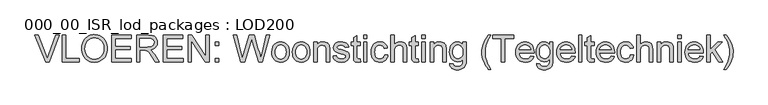
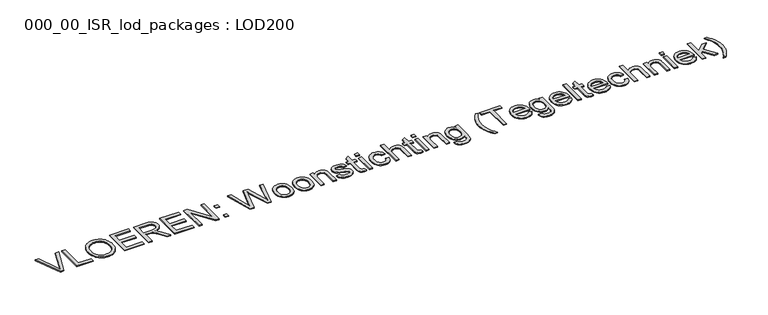
"""IFC4 building model written with IfcOpenShell, lengths in millimetres: proxy geometry, 000_00_ISR_lod_packages : LOD200."""

from ifc_helpers import new_model, si_unit, origin, origin_with_axes, place, context, project, spatial, polyline, outline, extrude, source, transform, mapped, element, save


def proxy_000_00_isr_lod_packages_lod200_c417fd53(model_context):
    return source(origin(), model_context, "Body", "SweptSolid", [
        extrude(outline(polyline([(817.155303, 500.0), (505.3560606, 1283.5151515), (610.1818182, 1283.5151515), (818.8768939, 719.0246212), (861.1515152, 591.8181818), (902.8522727, 719.0246212), (1112.1212121, 1283.5151515), (1216.9469697, 1283.5151515), (918.3465909, 500.0), (817.155303, 500.0)])), origin_with_axes(), (0.0, 0.0, 1.0), 25.0),
        extrude(outline(polyline([(1308.0, 500.0), (1308.0, 1283.5151515), (1405.9393939, 1283.5151515), (1405.9393939, 597.9393939), (1797.6969697, 597.9393939), (1797.6969697, 500.0), (1308.0, 500.0)])), origin_with_axes(), (0.0, 0.0, 1.0), 25.0),
        extrude(outline(polyline([(1871.1515152, 881.4280303), (1872.7834399, 928.6970585), (1877.679214, 973.3299006), (1885.8388376, 1015.3265566), (1897.2623106, 1054.6870265), (1911.949633, 1091.4113104), (1929.9008049, 1125.4994081), (1951.1158262, 1156.9513198), (1975.594697, 1185.7670455), (2002.6529652, 1211.546076), (2031.606179, 1233.8879025), (2062.4543383, 1252.7925249), (2095.1974432, 1268.2599432), (2129.8354936, 1280.2901574), (2166.3684896, 1288.8831676), (2204.7964311, 1294.0389737), (2245.1193182, 1295.7575758), (2297.8310843, 1292.5295928), (2347.8887311, 1282.8456439), (2395.2922585, 1266.7057292), (2440.0416667, 1244.1098485), (2480.8816288, 1215.739465), (2516.5568182, 1182.2760417), (2547.0672348, 1143.7195786), (2572.4128788, 1100.0700758), (2592.3307292, 1052.319839), (2606.5577652, 1001.4611742), (2615.0939867, 947.4940814), (2617.9393939, 890.4185606), (2614.9445431, 832.5898437), (2605.9599905, 777.8934659), (2590.9857363, 726.3294271), (2570.0217803, 677.8977273), (2543.5642756, 633.8776042), (2512.109375, 595.5482955), (2475.6570786, 562.9098011), (2434.2073864, 535.9621212), (2389.392223, 514.8726326), (2342.8435133, 499.8087121), (2294.5612571, 490.7703598), (2244.5454545, 487.7575758), (2190.9131155, 491.0871804), (2140.1979167, 501.0759943), (2092.399858, 517.7240175), (2047.5189394, 541.03125), (2006.7267992, 570.0950521), (1971.1950758, 604.0127841), (1940.9237689, 642.784446), (1915.9128788, 686.4100379), (1896.3297822, 733.13808), (1882.3418561, 781.2170928), (1873.9491004, 830.6470762), (1871.1515152, 881.4280303)]), holes=[polyline([(1969.0909091, 880.4715909), (1973.9866832, 815.5413116), (1988.6740057, 757.9038826), (2013.1528764, 707.559304), (2047.4232955, 664.5075758), (2089.0822088, 630.0279356), (2135.7265625, 605.3996212), (2187.3563565, 590.6226326), (2243.9715909, 585.6969697), (2301.5552202, 590.6704545), (2353.7947443, 605.5909091), (2400.6901634, 630.4583333), (2442.2414773, 665.2727273), (2460.466131, 686.2097834), (2476.260831, 709.2330729), (2500.5603693, 761.5383523), (2515.1400923, 822.1885653), (2520.0, 891.1837121), (2517.9197443, 936.0048532), (2511.6789773, 977.8849432), (2501.2776989, 1016.823982), (2486.7159091, 1052.8219697), (2468.1550071, 1085.4066643), (2445.756392, 1114.1058239), (2419.5200639, 1138.9194484), (2389.4460227, 1159.8475379), (2356.4667969, 1176.4596946), (2321.5149148, 1188.3255208), (2284.5903764, 1195.4450166), (2245.6931818, 1197.8181818), (2191.0446259, 1193.245206), (2140.3413826, 1179.5262784), (2093.5834517, 1156.6613991), (2050.7708333, 1124.6505682), (2031.6271011, 1104.8298562), (2015.0358665, 1081.951527), (2000.9971295, 1056.0155806), (1989.5108902, 1027.022017), (1974.1959044, 959.8620384), (1969.0909091, 880.4715909)])]), origin_with_axes(), (0.0, 0.0, 1.0), 25.0),
        extrude(outline(polyline([(2752.6060606, 500.0), (2752.6060606, 1283.5151515), (3315.7575758, 1283.5151515), (3315.7575758, 1185.5757576), (2850.5454545, 1185.5757576), (2850.5454545, 952.969697), (3291.2727273, 952.969697), (3291.2727273, 855.030303), (2850.5454545, 855.030303), (2850.5454545, 597.9393939), (3328.0, 597.9393939), (3328.0, 500.0), (2752.6060606, 500.0)])), origin_with_axes(), (0.0, 0.0, 1.0), 25.0),
        extrude(outline(polyline([(3474.9090909, 500.0), (3474.9090909, 1283.5151515), (3812.532197, 1283.5151515), (3903.2743845, 1278.2308239), (3939.3739938, 1271.6254143), (3969.2926136, 1262.3778409), (3994.769768, 1249.7767519), (4017.5449811, 1233.1107955), (4037.6182528, 1212.3799716), (4054.9895833, 1187.5842803), (4069.0073982, 1160.056759), (4079.0201231, 1131.1304451), (4085.027758, 1100.8053385), (4087.030303, 1069.0814394), (4083.7126539, 1028.8392519), (4073.7597064, 991.8967803), (4057.1714607, 958.2540246), (4033.9479167, 927.9109848), (4003.790187, 901.8360559), (3966.3993845, 880.9976326), (3921.775509, 865.395715), (3869.9185606, 855.030303), (3902.1983902, 833.9408144), (3925.5833333, 813.1382576), (3965.7059659, 765.5553977), (4004.967803, 712.3295455), (4135.6174242, 500.0), (4021.8011364, 500.0), (3919.844697, 662.4034091), (3846.1988636, 769.907197), (3818.820786, 801.2544981), (3794.4554924, 820.6941288), (3771.381392, 832.0996686), (3747.8768939, 839.344697), (3691.0643939, 842.7878788), (3572.8484848, 842.7878788), (3572.8484848, 500.0), (3474.9090909, 500.0)]), holes=[polyline([(3572.8484848, 940.7272727), (3792.0643939, 940.7272727), (3855.022017, 944.1943655), (3903.8721591, 954.5956439), (3940.6472538, 972.6245265), (3955.268821, 984.7593513), (3967.3797348, 998.9744318), (3983.6631155, 1030.8477746), (3989.0909091, 1065.4469697), (3986.502545, 1090.4937263), (3978.7374527, 1113.2211174), (3965.7956321, 1133.629143), (3947.6770833, 1151.717803), (3923.9633641, 1166.5306581), (3894.2360322, 1177.1112689), (3858.4950876, 1183.4596354), (3816.7405303, 1185.5757576), (3572.8484848, 1185.5757576), (3572.8484848, 940.7272727)])]), origin_with_axes(), (0.0, 0.0, 1.0), 25.0),
        extrude(outline(polyline([(4258.4242424, 500.0), (4258.4242424, 1283.5151515), (4821.5757576, 1283.5151515), (4821.5757576, 1185.5757576), (4356.3636364, 1185.5757576), (4356.3636364, 952.969697), (4797.0909091, 952.969697), (4797.0909091, 855.030303), (4356.3636364, 855.030303), (4356.3636364, 597.9393939), (4833.8181818, 597.9393939), (4833.8181818, 500.0), (4258.4242424, 500.0)])), origin_with_axes(), (0.0, 0.0, 1.0), 25.0),
        extrude(outline(polyline([(4980.7272727, 500.0), (4980.7272727, 1283.5151515), (5085.5530303, 1283.5151515), (5494.9090909, 662.7859848), (5494.9090909, 1283.5151515), (5592.8484848, 1283.5151515), (5592.8484848, 500.0), (5488.0227273, 500.0), (5078.6666667, 1120.9204545), (5078.6666667, 500.0), (4980.7272727, 500.0)])), origin_with_axes(), (0.0, 0.0, 1.0), 25.0),
        extrude(outline(polyline([(5776.4848485, 500.0), (5776.4848485, 597.9393939), (5874.4242424, 597.9393939), (5874.4242424, 500.0), (5776.4848485, 500.0)])), origin_with_axes(), (0.0, 0.0, 1.0), 25.0),
        extrude(outline(polyline([(5776.4848485, 977.4545455), (5776.4848485, 1075.3939394), (5874.4242424, 1075.3939394), (5874.4242424, 977.4545455), (5776.4848485, 977.4545455)])), origin_with_axes(), (0.0, 0.0, 1.0), 25.0),
        extrude(outline(polyline([(6516.5776515, 500.0), (6302.9090909, 1283.5151515), (6403.9090909, 1283.5151515), (6527.8636364, 768.5681818), (6566.1212121, 609.6079545), (6607.0568182, 750.2045455), (6762.3825758, 1283.5151515), (6907.9526515, 1283.5151515), (7020.8125, 896.9223485), (7069.1605114, 753.4564394), (7104.7878788, 609.6079545), (7141.8977273, 763.9772727), (7267.0, 1283.5151515), (7368.0, 1283.5151515), (7154.1401515, 500.0), (7049.5056818, 500.0), (6861.6609848, 1104.469697), (6835.4545455, 1188.8276515), (6805.9962121, 1087.2537879), (6634.7935606, 500.0), (6516.5776515, 500.0)])), origin_with_axes(), (0.0, 0.0, 1.0), 25.0),
        extrude(outline(polyline([(7429.2121212, 787.6969697), (7434.5084044, 862.215554), (7441.1287583, 895.6102332), (7450.3972538, 926.4285038), (7462.3138909, 954.6703658), (7476.8786695, 980.3358191), (7494.0915897, 1003.4248639), (7513.9526515, 1023.9375), (7551.2776989, 1051.8057528), (7592.4763258, 1071.7116477), (7637.5485322, 1083.6551847), (7686.4943182, 1087.6363636), (7740.5271662, 1082.7884115), (7789.383286, 1068.2445549), (7833.0626776, 1044.004794), (7871.5653409, 1010.0691288), (7902.9903527, 967.5852865), (7925.4367898, 917.7009943), (7938.904652, 860.4162524), (7943.3939394, 795.7310606), (7941.4093277, 743.3062263), (7935.4554924, 696.7874053), (7925.5324337, 656.1745975), (7911.6401515, 621.467803), (7893.9520005, 591.4894058), (7872.6413352, 565.0617898), (7847.7081558, 542.184955), (7819.1524621, 522.8589015), (7788.0861151, 507.5020715), (7755.6209754, 496.5329072), (7721.7570431, 489.9514086), (7686.4943182, 487.7575758), (7631.6724077, 492.5875947), (7582.3619792, 507.0776515), (7538.5630327, 531.2277462), (7500.2755682, 565.0378788), (7469.1853101, 607.9341856), (7446.977983, 659.342803), (7433.6535866, 719.2637311), (7429.2121212, 787.6969697)]), holes=[polyline([(7527.1515152, 787.8882576), (7529.9849669, 740.3831084), (7538.485322, 699.2502367), (7552.6525805, 664.4896425), (7572.4867424, 636.1013258), (7596.6129261, 614.04942), (7623.65625, 598.2980587), (7653.616714, 588.847242), (7686.4943182, 585.6969697), (7719.2045455, 588.8651752), (7749.0454545, 598.3697917), (7776.0170455, 614.2108191), (7800.1193182, 636.3882576), (7819.9534801, 665.0575284), (7834.1207386, 700.374053), (7842.6210938, 742.3378314), (7845.4545455, 790.9488636), (7842.6031605, 836.9476207), (7834.0490057, 877.0044981), (7819.792081, 911.1194957), (7799.8323864, 939.2926136), (7775.6404474, 961.3445194), (7748.6867898, 977.0958807), (7718.9714134, 986.5466974), (7686.4943182, 989.6969697), (7653.616714, 986.5586529), (7623.65625, 977.1437027), (7596.6129261, 961.4521188), (7572.4867424, 939.4839015), (7552.6525805, 911.1792732), (7538.485322, 876.4784564), (7529.9849669, 835.3814512), (7527.1515152, 787.8882576)])]), origin_with_axes(), (0.0, 0.0, 1.0), 25.0),
        extrude(outline(polyline([(8029.0909091, 787.6969697), (8034.3871922, 862.215554), (8041.0075462, 895.6102332), (8050.2760417, 926.4285038), (8062.1926787, 954.6703658), (8076.7574574, 980.3358191), (8093.9703776, 1003.4248639), (8113.8314394, 1023.9375), (8151.1564867, 1051.8057528), (8192.3551136, 1071.7116477), (8237.4273201, 1083.6551847), (8286.3731061, 1087.6363636), (8340.4059541, 1082.7884115), (8389.2620739, 1068.2445549), (8432.9414654, 1044.004794), (8471.4441288, 1010.0691288), (8502.8691406, 967.5852865), (8525.3155777, 917.7009943), (8538.7834399, 860.4162524), (8543.2727273, 795.7310606), (8541.2881155, 743.3062263), (8535.3342803, 696.7874053), (8525.4112216, 656.1745975), (8511.5189394, 621.467803), (8493.8307884, 591.4894058), (8472.5201231, 565.0617898), (8447.5869437, 542.184955), (8419.03125, 522.8589015), (8387.9649029, 507.5020715), (8355.4997633, 496.5329072), (8321.635831, 489.9514086), (8286.3731061, 487.7575758), (8231.5511955, 492.5875947), (8182.240767, 507.0776515), (8138.4418205, 531.2277462), (8100.1543561, 565.0378788), (8069.064098, 607.9341856), (8046.8567708, 659.342803), (8033.5323745, 719.2637311), (8029.0909091, 787.6969697)]), holes=[polyline([(8127.030303, 787.8882576), (8129.8637547, 740.3831084), (8138.3641098, 699.2502367), (8152.5313684, 664.4896425), (8172.3655303, 636.1013258), (8196.491714, 614.04942), (8223.5350379, 598.2980587), (8253.4955019, 588.847242), (8286.3731061, 585.6969697), (8319.0833333, 588.8651752), (8348.9242424, 598.3697917), (8375.8958333, 614.2108191), (8399.9981061, 636.3882576), (8419.832268, 665.0575284), (8433.9995265, 700.374053), (8442.4998816, 742.3378314), (8445.3333333, 790.9488636), (8442.4819484, 836.9476207), (8433.9277936, 877.0044981), (8419.6708688, 911.1194957), (8399.7111742, 939.2926136), (8375.5192353, 961.3445194), (8348.5655777, 977.0958807), (8318.8502012, 986.5466974), (8286.3731061, 989.6969697), (8253.4955019, 986.5586529), (8223.5350379, 977.1437027), (8196.491714, 961.4521188), (8172.3655303, 939.4839015), (8152.5313684, 911.1792732), (8138.3641098, 876.4784564), (8129.8637547, 835.3814512), (8127.030303, 787.8882576)])]), origin_with_axes(), (0.0, 0.0, 1.0), 25.0),
        extrude(outline(polyline([(8653.4545455, 500.0), (8653.4545455, 1075.3939394), (8751.3939394, 1075.3939394), (8751.3939394, 995.0530303), (8785.4192708, 1035.5582386), (8804.9963897, 1051.4709991), (8826.2831439, 1064.4905303), (8849.2795336, 1074.6168324), (8873.9855587, 1081.8499053), (8928.5265152, 1087.6363636), (8976.8027936, 1082.9737216), (9021.0142045, 1068.9857955), (9057.8849432, 1047.4180871), (9084.1392045, 1020.0160985), (9101.9528883, 986.8515625), (9113.5018939, 947.9962121), (9117.3754735, 910.8385417), (9118.6666667, 853.3087121), (9118.6666667, 500.0), (9020.7272727, 500.0), (9020.7272727, 840.1098485), (9017.9057765, 890.7533144), (9009.4412879, 926.7632576), (8993.8274148, 952.5632102), (8969.5577652, 972.5767045), (8938.4495739, 985.4169034), (8902.3200758, 989.6969697), (8872.5807884, 987.2939157), (8844.9576231, 980.0847538), (8819.45058, 968.0694839), (8796.0596591, 951.2481061), (8776.5184067, 927.7077415), (8762.5603693, 895.5355114), (8754.1855469, 854.7314157), (8751.3939394, 805.2954545), (8751.3939394, 500.0), (8653.4545455, 500.0)])), origin_with_axes(), (0.0, 0.0, 1.0), 25.0),
        extrude(outline(polyline([(9216.6060606, 671.3939394), (9314.5454545, 683.6363636), (9320.4634233, 661.3035038), (9329.9919508, 641.7443182), (9343.1310369, 624.9588068), (9359.8806818, 610.9469697), (9380.2887074, 599.9000947), (9404.4029356, 592.0094697), (9432.2233665, 587.2750947), (9463.75, 585.6969697), (9495.240767, 587.1435843), (9522.3797348, 591.483428), (9545.1669034, 598.7165009), (9563.6022727, 608.842803), (9577.8293087, 620.9178504), (9587.9914773, 633.9971591), (9594.0887784, 648.0807292), (9596.1212121, 663.1685606), (9594.0768229, 676.3913352), (9587.9436553, 688.1316288), (9577.7217093, 698.3894413), (9563.4109848, 707.1647727), (9526.7315341, 719.5984848), (9462.6022727, 735.092803), (9373.2230114, 760.9405777), (9315.1193182, 783.0104167), (9277.7942708, 807.0887784), (9262.9873935, 822.0510772), (9250.750947, 838.9621212), (9234.3241004, 876.5980114), (9228.8484848, 917.9640152), (9233.2481061, 955.9107481), (9246.4469697, 990.9403409), (9267.2495265, 1021.6659564), (9294.4602273, 1046.7007576), (9321.5035511, 1062.4580966), (9356.7244318, 1075.6808712), (9397.444839, 1084.6474905), (9440.9867424, 1087.6363636), (9504.733428, 1082.8302557), (9560.1590909, 1068.4119318), (9604.7291667, 1045.7921402), (9621.9928977, 1031.9357244), (9635.9090909, 1016.3816288), (9656.5681818, 978.0044981), (9669.5757576, 928.4848485), (9571.6363636, 916.2424242), (9566.9677438, 932.6035156), (9559.2743845, 947.0636837), (9548.5562855, 959.6229285), (9534.813447, 970.28125), (9517.9860914, 978.7756274), (9498.0144413, 984.8430398), (9448.6382576, 989.6969697), (9392.3996212, 985.0582386), (9371.3101326, 979.2598248), (9354.907197, 971.1420455), (9333.8177083, 951.0568182), (9328.5453362, 939.8664773), (9326.7878788, 927.9109848), (9329.7050189, 912.8470644), (9338.4564394, 899.4090909), (9353.4247159, 887.4057765), (9374.9924242, 877.7935606), (9459.3503788, 856.9431818), (9545.884233, 831.358428), (9603.1032197, 810.842803), (9641.0738636, 788.796875), (9669.8626894, 758.6212121), (9680.4492779, 740.4608191), (9688.0111269, 720.2201705), (9692.5482363, 697.8992661), (9694.0606061, 673.4981061), (9692.2852154, 648.9893466), (9686.9590436, 625.1979167), (9678.0820904, 602.1238163), (9665.6543561, 579.7670455), (9649.8790838, 559.0182884), (9630.959517, 540.7682292), (9608.8956558, 525.0168679), (9583.6875, 511.7642045), (9556.0224905, 501.2613045), (9526.5880682, 493.759233), (9462.4109848, 487.7575758), (9409.6992188, 490.6508049), (9363.6586174, 499.3304924), (9324.2891809, 513.7966383), (9291.5909091, 534.0492424), (9264.882339, 559.992661), (9243.4820076, 591.53125), (9227.3899148, 628.6650095), (9216.6060606, 671.3939394)])), origin_with_axes(), (0.0, 0.0, 1.0), 25.0),
        extrude(outline(polyline([(10012.3636364, 581.6799242), (10024.6060606, 497.1306818), (9985.8224432, 490.1008523), (9951.342803, 487.7575758), (9904.3338068, 491.8224432), (9869.280303, 504.0170455), (9844.5085227, 522.8110795), (9828.344697, 546.6742424), (9819.4498106, 587.6576705), (9816.4848485, 657.8125), (9816.4848485, 977.4545455), (9743.030303, 977.4545455), (9743.030303, 1075.3939394), (9816.4848485, 1075.3939394), (9816.4848485, 1215.2253788), (9914.4242424, 1272.8030303), (9914.4242424, 1075.3939394), (10012.3636364, 1075.3939394), (10012.3636364, 977.4545455), (9914.4242424, 977.4545455), (9914.4242424, 660.6818182), (9915.7154356, 628.4498106), (9919.5890152, 610.1818182), (9926.3558239, 600.0674716), (9936.3267045, 592.2964015), (9950.4580966, 587.3468277), (9969.7064394, 585.6969697), (10012.3636364, 581.6799242)])), origin_with_axes(), (0.0, 0.0, 1.0), 25.0),
        extrude(outline(polyline([(10110.3030303, 500.0), (10110.3030303, 1075.3939394), (10208.2424242, 1075.3939394), (10208.2424242, 500.0), (10110.3030303, 500.0)])), origin_with_axes(), (0.0, 0.0, 1.0), 25.0),
        extrude(outline(polyline([(10110.3030303, 1185.5757576), (10110.3030303, 1283.5151515), (10208.2424242, 1283.5151515), (10208.2424242, 1185.5757576), (10110.3030303, 1185.5757576)])), origin_with_axes(), (0.0, 0.0, 1.0), 25.0),
        extrude(outline(polyline([(10722.4242424, 708.1212121), (10820.3636364, 695.8787879), (10809.7112926, 649.6648319), (10793.0572917, 608.7710701), (10770.4016335, 573.1975024), (10741.7443182, 542.9441288), (10708.2928504, 518.8000118), (10671.2547348, 501.554214), (10630.6299716, 491.2067353), (10586.4185606, 487.7575758), (10531.4890507, 492.5696615), (10482.2383996, 507.0059186), (10438.6666075, 531.0663471), (10400.7736742, 564.750947), (10370.1018584, 607.4260772), (10348.1934186, 658.4580966), (10335.0483546, 717.8470052), (10330.6666667, 785.592803), (10332.5377012, 830.6231652), (10338.1508049, 872.7483428), (10347.5059777, 911.9683357), (10360.6032197, 948.2831439), (10377.532197, 980.9634825), (10398.3825758, 1009.2800663), (10423.1543561, 1033.2328954), (10451.8475379, 1052.8219697), (10483.1649503, 1068.053267), (10515.8094223, 1078.9327652), (10549.7809541, 1085.460464), (10585.0795455, 1087.6363636), (10628.5317827, 1084.6474905), (10667.835464, 1075.6808712), (10702.9905895, 1060.7365057), (10733.9971591, 1039.8143939), (10760.3291312, 1013.3927557), (10781.460464, 981.9498106), (10797.3911577, 945.4855587), (10808.1212121, 904.0), (10710.1818182, 891.7575758), (10702.5362808, 914.6344105), (10692.4159564, 934.4865057), (10679.8208452, 951.3138613), (10664.750947, 965.1164773), (10647.5888376, 975.8704427), (10628.7170928, 983.5518466), (10608.1357126, 988.1606889), (10585.844697, 989.6969697), (10552.5665838, 986.6722301), (10522.5523201, 977.5980114), (10495.8019058, 962.4743134), (10472.3153409, 941.3011364), (10453.1925308, 913.5883049), (10439.5333807, 878.8456439), (10431.3378906, 837.0731534), (10428.6060606, 788.2708333), (10431.2781132, 738.7332505), (10439.2942708, 696.4765625), (10452.6545336, 661.5007694), (10471.3589015, 633.8058712), (10494.3792022, 612.7582268), (10520.6872633, 597.7241951), (10550.2830848, 588.703776), (10583.1666667, 585.6969697), (10609.6660156, 587.573982), (10633.8818655, 593.2050189), (10655.8142164, 602.5900805), (10675.4630682, 615.7291667), (10692.2784683, 632.7657434), (10705.710464, 653.8432765), (10715.7590554, 678.9617661), (10722.4242424, 708.1212121)])), origin_with_axes(), (0.0, 0.0, 1.0), 25.0),
        extrude(outline(polyline([(10906.0606061, 500.0), (10906.0606061, 1283.5151515), (11004.0, 1283.5151515), (11004.0, 995.4356061), (11039.9740767, 1035.7734375), (11080.3716856, 1064.5861742), (11125.1928267, 1081.8738163), (11174.4375, 1087.6363636), (11205.0555161, 1086.0642164), (11233.5932765, 1081.3477746), (11260.0507813, 1073.4870384), (11284.4280303, 1062.4820076), (11306.1033381, 1048.7033026), (11324.4550189, 1032.5215436), (11339.4830729, 1013.9367306), (11351.1875, 992.9488636), (11359.9747869, 968.2607718), (11366.2514205, 938.5752841), (11371.2727273, 864.2121212), (11371.2727273, 500.0), (11273.3333333, 500.0), (11273.3333333, 854.0738636), (11271.3845881, 887.1427557), (11265.5383523, 915.3816288), (11255.7946259, 938.790483), (11242.1534091, 957.3693182), (11224.9375, 971.5126657), (11204.469697, 981.6150568), (11180.75, 987.6764915), (11153.7784091, 989.6969697), (11112.3884943, 984.2452652), (11073.5331439, 967.8901515), (11056.0900805, 956.0183475), (11041.3489583, 942.2097538), (11029.3097775, 926.4643703), (11019.9725379, 908.782197), (11007.9931345, 864.3555871), (11004.0, 805.6780303), (11004.0, 500.0), (10906.0606061, 500.0)])), origin_with_axes(), (0.0, 0.0, 1.0), 25.0),
        extrude(outline(polyline([(11714.0606061, 581.6799242), (11726.3030303, 497.1306818), (11687.5194129, 490.1008523), (11653.0397727, 487.7575758), (11606.0307765, 491.8224432), (11570.9772727, 504.0170455), (11546.2054924, 522.8110795), (11530.0416667, 546.6742424), (11521.1467803, 587.6576705), (11518.1818182, 657.8125), (11518.1818182, 977.4545455), (11444.7272727, 977.4545455), (11444.7272727, 1075.3939394), (11518.1818182, 1075.3939394), (11518.1818182, 1215.2253788), (11616.1212121, 1272.8030303), (11616.1212121, 1075.3939394), (11714.0606061, 1075.3939394), (11714.0606061, 977.4545455), (11616.1212121, 977.4545455), (11616.1212121, 660.6818182), (11617.4124053, 628.4498106), (11621.2859848, 610.1818182), (11628.0527936, 600.0674716), (11638.0236742, 592.2964015), (11652.1550663, 587.3468277), (11671.4034091, 585.6969697), (11714.0606061, 581.6799242)])), origin_with_axes(), (0.0, 0.0, 1.0), 25.0),
        extrude(outline(polyline([(11812.0, 500.0), (11812.0, 1075.3939394), (11909.9393939, 1075.3939394), (11909.9393939, 500.0), (11812.0, 500.0)])), origin_with_axes(), (0.0, 0.0, 1.0), 25.0),
        extrude(outline(polyline([(11812.0, 1185.5757576), (11812.0, 1283.5151515), (11909.9393939, 1283.5151515), (11909.9393939, 1185.5757576), (11812.0, 1185.5757576)])), origin_with_axes(), (0.0, 0.0, 1.0), 25.0),
        extrude(outline(polyline([(12056.8484848, 500.0), (12056.8484848, 1075.3939394), (12154.7878788, 1075.3939394), (12154.7878788, 995.0530303), (12188.8132102, 1035.5582386), (12208.3903291, 1051.4709991), (12229.6770833, 1064.4905303), (12252.673473, 1074.6168324), (12277.3794981, 1081.8499053), (12331.9204545, 1087.6363636), (12380.196733, 1082.9737216), (12424.4081439, 1068.9857955), (12461.2788826, 1047.4180871), (12487.5331439, 1020.0160985), (12505.3468277, 986.8515625), (12516.8958333, 947.9962121), (12520.7694129, 910.8385417), (12522.0606061, 853.3087121), (12522.0606061, 500.0), (12424.1212121, 500.0), (12424.1212121, 840.1098485), (12421.2997159, 890.7533144), (12412.8352273, 926.7632576), (12397.2213542, 952.5632102), (12372.9517045, 972.5767045), (12341.8435133, 985.4169034), (12305.7140152, 989.6969697), (12275.9747277, 987.2939157), (12248.3515625, 980.0847538), (12222.8445194, 968.0694839), (12199.4535985, 951.2481061), (12179.9123461, 927.7077415), (12165.9543087, 895.5355114), (12157.5794863, 854.7314157), (12154.7878788, 805.2954545), (12154.7878788, 500.0), (12056.8484848, 500.0)])), origin_with_axes(), (0.0, 0.0, 1.0), 25.0),
        extrude(outline(polyline([(12632.2424242, 451.030303), (12730.1818182, 438.7878788), (12734.3184186, 422.2892992), (12740.9895833, 408.1818182), (12750.1953125, 396.4654356), (12761.9356061, 387.1401515), (12780.9328835, 377.5996686), (12803.110322, 370.7850379), (12857.0056818, 365.3333333), (12887.5878314, 366.8755919), (12914.4876894, 371.5023674), (12937.7052557, 379.21366), (12957.2405303, 390.0094697), (12973.5, 403.5909091), (12986.8901515, 419.6590909), (12997.4109848, 438.2140152), (13005.0625, 459.2556818), (13010.3707386, 501.3868371), (13011.7575758, 573.4545455), (12979.1669034, 541.3181818), (12942.7982955, 518.3636364), (12902.6517519, 504.5909091), (12858.7272727, 500.0), (12805.0291785, 505.3441051), (12757.7511837, 521.3764205), (12716.8932884, 548.096946), (12682.4554924, 585.5056818), (12655.1312145, 630.3866004), (12635.6138731, 679.5236742), (12623.9034683, 732.9169034), (12620.0, 790.5662879), (12621.7514796, 830.8981416), (12627.0059186, 869.6399148), (12635.7633168, 906.7916075), (12648.0236742, 942.3532197), (12663.6016809, 975.1411577), (12682.3120265, 1003.9718277), (12704.1547112, 1028.8452296), (12729.1297348, 1049.7613636), (12756.8365885, 1066.3316761), (12786.8747633, 1078.1676136), (12819.244259, 1085.2691761), (12853.9450758, 1087.6363636), (12899.7465672, 1082.280303), (12941.3158144, 1066.2121212), (12978.6528172, 1039.4318182), (13011.7575758, 1001.9393939), (13011.7575758, 1075.3939394), (13109.6969697, 1075.3939394), (13109.6969697, 578.6193182), (13108.0232008, 516.3730469), (13103.0018939, 463.9183239), (13094.6330492, 421.2551491), (13082.9166667, 388.3835227), (13067.5717921, 361.8722183), (13048.3174716, 338.2900095), (13025.153705, 317.6368963), (12998.0804924, 299.9128788), (12967.3728101, 285.6858428), (12933.3056345, 275.5236742), (12895.8789654, 269.4263731), (12855.092803, 267.3939394), (12807.1094342, 270.2572798), (12763.9680398, 278.8473011), (12725.6686198, 293.1640033), (12692.2111742, 313.2073864), (12665.1857836, 339.0013613), (12646.1825284, 370.569839), (12635.2014086, 407.9128196), (12632.2424242, 451.030303)]), holes=[polyline([(12717.9393939, 797.2613636), (12720.551669, 748.8356416), (12728.3884943, 707.4277936), (12741.4498698, 673.0378196), (12759.7357955, 645.6657197), (12781.9670336, 624.7854522), (12806.8643466, 609.8709754), (12834.4277344, 600.9222893), (12864.657197, 597.9393939), (12894.5877723, 600.9043561), (12922.0196496, 609.7992424), (12946.9528291, 624.624053), (12969.3873106, 645.3787879), (12987.9243016, 672.4818892), (13001.1650095, 706.3517992), (13009.1094342, 746.988518), (13011.7575758, 794.3920455), (13009.0317235, 839.8169389), (13000.8541667, 879.2999527), (12987.2249053, 912.8410866), (12968.1439394, 940.4403409), (12945.2252604, 961.990116), (12920.0828598, 977.3828125), (12892.7167377, 986.6184304), (12863.1268939, 989.6969697), (12834.0332031, 986.6662524), (12807.1991004, 977.5741004), (12782.6245857, 962.4205137), (12760.3096591, 941.2054924), (12741.7726681, 914.0246804), (12728.5319602, 880.9737216), (12720.5875355, 842.052616), (12717.9393939, 797.2613636)])]), origin_with_axes(), (0.0, 0.0, 1.0), 25.0),
        extrude(outline(polyline([(13758.5454545, 279.6363636), (13719.0086411, 330.7939157), (13682.6519886, 386.1358902), (13649.4754972, 445.6622869), (13619.4791667, 509.3731061), (13594.6236979, 575.773911), (13576.8697917, 643.3702652), (13566.2174479, 712.1621686), (13562.6666667, 782.1496212), (13565.320786, 843.6606297), (13573.2831439, 903.8565341), (13586.5537405, 962.7373343), (13605.1325758, 1020.3030303), (13633.3714489, 1086.3212595), (13668.3532197, 1152.1960227), (13710.0778883, 1217.9273201), (13758.5454545, 1283.5151515), (13832.0, 1283.5151515), (13774.3745265, 1190.4057765), (13740.3731061, 1128.3806818), (13709.0975379, 1054.7348485), (13685.282197, 978.0284091), (13666.7750947, 880.0411932), (13660.6060606, 781.5757576), (13663.2840909, 718.7914891), (13671.3181818, 656.0191761), (13684.7083333, 593.2588187), (13703.4545455, 530.5104167), (13727.5568182, 467.7739702), (13757.0151515, 405.0494792), (13791.8295455, 342.3369437), (13832.0, 279.6363636), (13758.5454545, 279.6363636)])), origin_with_axes(), (0.0, 0.0, 1.0), 25.0),
        extrude(outline(polyline([(14138.0606061, 500.0), (14138.0606061, 1185.5757576), (13880.969697, 1185.5757576), (13880.969697, 1283.5151515), (14493.0909091, 1283.5151515), (14493.0909091, 1185.5757576), (14236.0, 1185.5757576), (14236.0, 500.0), (14138.0606061, 500.0)])), origin_with_axes(), (0.0, 0.0, 1.0), 25.0),
        extrude(outline(polyline([(14993.8825758, 671.3939394), (15089.9090909, 659.1515152), (15075.185902, 620.690696), (15055.3098958, 586.796875), (15030.2810724, 557.4700521), (15000.0994318, 532.7102273), (14965.0758168, 513.0434422), (14925.5210701, 498.9957386), (14881.4351918, 490.5671165), (14832.8181818, 487.7575758), (14772.0484138, 492.6055279), (14717.9019886, 507.1493845), (14670.3789063, 531.3891454), (14629.4791667, 565.3248106), (14596.589607, 608.0118963), (14573.0970644, 658.5059186), (14559.0015388, 716.8068774), (14554.3030303, 782.9147727), (14559.0493608, 851.2643229), (14573.2883523, 911.5080492), (14597.0200047, 963.6459517), (14630.2443182, 1007.6780303), (14671.0364583, 1042.6598011), (14717.4715909, 1067.6467803), (14769.5497159, 1082.6389678), (14827.2708333, 1087.6363636), (14883.1328717, 1082.6509233), (14933.6508049, 1067.6946023), (14978.824633, 1042.7674006), (15018.6543561, 1007.8693182), (15051.1673177, 963.9328835), (15074.3908617, 911.890625), (15088.3249882, 851.7425426), (15092.969697, 783.4886364), (15092.3958333, 757.0909091), (14652.2424242, 757.0909091), (14657.9153054, 718.0084044), (14669.1953125, 683.7798295), (14686.0824455, 654.4051847), (14708.5767045, 629.8844697), (14735.4347183, 610.5524384), (14765.4131155, 596.7438447), (14798.5118963, 588.4586884), (14834.7310606, 585.6969697), (14886.8570076, 590.8139205), (14930.7575758, 606.1647727), (14949.6233428, 617.9170218), (14966.4327652, 632.7059659), (14981.1858428, 650.5316051), (14993.8825758, 671.3939394)]), holes=[polyline([(14652.2424242, 855.030303), (14995.030303, 855.030303), (14989.9970407, 882.7431345), (14981.7836174, 906.7736742), (14970.3900331, 927.1219223), (14955.8162879, 943.7878788), (14929.1077178, 963.8731061), (14898.7168561, 978.219697), (14864.6437027, 986.8276515), (14826.8882576, 989.6969697), (14792.4504616, 987.4074929), (14760.8700284, 980.5390625), (14732.1469579, 969.0916785), (14706.28125, 953.0653409), (14684.5760535, 933.2012902), (14668.334517, 910.240767), (14657.5566406, 884.1837713), (14652.2424242, 855.030303)])]), origin_with_axes(), (0.0, 0.0, 1.0), 25.0),
        extrude(outline(polyline([(15166.4242424, 451.030303), (15264.3636364, 438.7878788), (15268.5002367, 422.2892992), (15275.1714015, 408.1818182), (15284.3771307, 396.4654356), (15296.1174242, 387.1401515), (15315.1147017, 377.5996686), (15337.2921402, 370.7850379), (15391.1875, 365.3333333), (15421.7696496, 366.8755919), (15448.6695076, 371.5023674), (15471.8870739, 379.21366), (15491.4223485, 390.0094697), (15507.6818182, 403.5909091), (15521.0719697, 419.6590909), (15531.592803, 438.2140152), (15539.2443182, 459.2556818), (15544.5525568, 501.3868371), (15545.9393939, 573.4545455), (15513.3487216, 541.3181818), (15476.9801136, 518.3636364), (15436.8335701, 504.5909091), (15392.9090909, 500.0), (15339.2109967, 505.3441051), (15291.9330019, 521.3764205), (15251.0751065, 548.096946), (15216.6373106, 585.5056818), (15189.3130327, 630.3866004), (15169.7956913, 679.5236742), (15158.0852865, 732.9169034), (15154.1818182, 790.5662879), (15155.9332978, 830.8981416), (15161.1877367, 869.6399148), (15169.9451349, 906.7916075), (15182.2054924, 942.3532197), (15197.7834991, 975.1411577), (15216.4938447, 1003.9718277), (15238.3365294, 1028.8452296), (15263.311553, 1049.7613636), (15291.0184067, 1066.3316761), (15321.0565814, 1078.1676136), (15353.4260772, 1085.2691761), (15388.1268939, 1087.6363636), (15433.9283854, 1082.280303), (15475.4976326, 1066.2121212), (15512.8346354, 1039.4318182), (15545.9393939, 1001.9393939), (15545.9393939, 1075.3939394), (15643.8787879, 1075.3939394), (15643.8787879, 578.6193182), (15642.2050189, 516.3730469), (15637.1837121, 463.9183239), (15628.8148674, 421.2551491), (15617.0984848, 388.3835227), (15601.7536103, 361.8722183), (15582.4992898, 338.2900095), (15559.3355232, 317.6368963), (15532.2623106, 299.9128788), (15501.5546283, 285.6858428), (15467.4874527, 275.5236742), (15430.0607836, 269.4263731), (15389.2746212, 267.3939394), (15341.2912524, 270.2572798), (15298.149858, 278.8473011), (15259.850438, 293.1640033), (15226.3929924, 313.2073864), (15199.3676018, 339.0013613), (15180.3643466, 370.569839), (15169.3832268, 407.9128196), (15166.4242424, 451.030303)]), holes=[polyline([(15252.1212121, 797.2613636), (15254.7334872, 748.8356416), (15262.5703125, 707.4277936), (15275.631688, 673.0378196), (15293.9176136, 645.6657197), (15316.1488518, 624.7854522), (15341.0461648, 609.8709754), (15368.6095526, 600.9222893), (15398.8390152, 597.9393939), (15428.7695904, 600.9043561), (15456.2014678, 609.7992424), (15481.1346473, 624.624053), (15503.5691288, 645.3787879), (15522.1061198, 672.4818892), (15535.3468277, 706.3517992), (15543.2912524, 746.988518), (15545.9393939, 794.3920455), (15543.2135417, 839.8169389), (15535.0359848, 879.2999527), (15521.4067235, 912.8410866), (15502.3257576, 940.4403409), (15479.4070786, 961.990116), (15454.264678, 977.3828125), (15426.8985559, 986.6184304), (15397.3087121, 989.6969697), (15368.2150213, 986.6662524), (15341.3809186, 977.5741004), (15316.8064039, 962.4205137), (15294.4914773, 941.2054924), (15275.9544863, 914.0246804), (15262.7137784, 880.9737216), (15254.7693537, 842.052616), (15252.1212121, 797.2613636)])]), origin_with_axes(), (0.0, 0.0, 1.0), 25.0),
        extrude(outline(polyline([(16193.6401515, 671.3939394), (16289.6666667, 659.1515152), (16274.9434777, 620.690696), (16255.0674716, 586.796875), (16230.0386482, 557.4700521), (16199.8570076, 532.7102273), (16164.8333925, 513.0434422), (16125.2786458, 498.9957386), (16081.1927675, 490.5671165), (16032.5757576, 487.7575758), (15971.8059896, 492.6055279), (15917.6595644, 507.1493845), (15870.136482, 531.3891454), (15829.2367424, 565.3248106), (15796.3471828, 608.0118963), (15772.8546402, 658.5059186), (15758.7591146, 716.8068774), (15754.0606061, 782.9147727), (15758.8069366, 851.2643229), (15773.045928, 911.5080492), (15796.7775805, 963.6459517), (15830.0018939, 1007.6780303), (15870.7940341, 1042.6598011), (15917.2291667, 1067.6467803), (15969.3072917, 1082.6389678), (16027.0284091, 1087.6363636), (16082.8904474, 1082.6509233), (16133.4083807, 1067.6946023), (16178.5822088, 1042.7674006), (16218.4119318, 1007.8693182), (16250.9248935, 963.9328835), (16274.1484375, 911.890625), (16288.0825639, 851.7425426), (16292.7272727, 783.4886364), (16292.1534091, 757.0909091), (15852.0, 757.0909091), (15857.6728812, 718.0084044), (15868.9528883, 683.7798295), (15885.8400213, 654.4051847), (15908.3342803, 629.8844697), (15935.192294, 610.5524384), (15965.1706913, 596.7438447), (15998.2694721, 588.4586884), (16034.4886364, 585.6969697), (16086.6145833, 590.8139205), (16130.5151515, 606.1647727), (16149.3809186, 617.9170218), (16166.1903409, 632.7059659), (16180.9434186, 650.5316051), (16193.6401515, 671.3939394)]), holes=[polyline([(15852.0, 855.030303), (16194.7878788, 855.030303), (16189.7546165, 882.7431345), (16181.5411932, 906.7736742), (16170.1476089, 927.1219223), (16155.5738636, 943.7878788), (16128.8652936, 963.8731061), (16098.4744318, 978.219697), (16064.4012784, 986.8276515), (16026.6458333, 989.6969697), (15992.2080374, 987.4074929), (15960.6276042, 980.5390625), (15931.9045336, 969.0916785), (15906.0388258, 953.0653409), (15884.3336293, 933.2012902), (15868.0920928, 910.240767), (15857.3142164, 884.1837713), (15852.0, 855.030303)])]), origin_with_axes(), (0.0, 0.0, 1.0), 25.0),
        extrude(outline(polyline([(16390.6666667, 500.0), (16390.6666667, 1283.5151515), (16488.6060606, 1283.5151515), (16488.6060606, 500.0), (16390.6666667, 500.0)])), origin_with_axes(), (0.0, 0.0, 1.0), 25.0),
        extrude(outline(polyline([(16843.6363636, 581.6799242), (16855.8787879, 497.1306818), (16817.0951705, 490.1008523), (16782.6155303, 487.7575758), (16735.6065341, 491.8224432), (16700.5530303, 504.0170455), (16675.78125, 522.8110795), (16659.6174242, 546.6742424), (16650.7225379, 587.6576705), (16647.7575758, 657.8125), (16647.7575758, 977.4545455), (16574.3030303, 977.4545455), (16574.3030303, 1075.3939394), (16647.7575758, 1075.3939394), (16647.7575758, 1215.2253788), (16745.6969697, 1272.8030303), (16745.6969697, 1075.3939394), (16843.6363636, 1075.3939394), (16843.6363636, 977.4545455), (16745.6969697, 977.4545455), (16745.6969697, 660.6818182), (16746.9881629, 628.4498106), (16750.8617424, 610.1818182), (16757.6285511, 600.0674716), (16767.5994318, 592.2964015), (16781.7308239, 587.3468277), (16800.9791667, 585.6969697), (16843.6363636, 581.6799242)])), origin_with_axes(), (0.0, 0.0, 1.0), 25.0),
        extrude(outline(polyline([(17344.4280303, 671.3939394), (17440.4545455, 659.1515152), (17425.7313565, 620.690696), (17405.8553504, 586.796875), (17380.826527, 557.4700521), (17350.6448864, 532.7102273), (17315.6212713, 513.0434422), (17276.0665246, 498.9957386), (17231.9806463, 490.5671165), (17183.3636364, 487.7575758), (17122.5938684, 492.6055279), (17068.4474432, 507.1493845), (17020.9243608, 531.3891454), (16980.0246212, 565.3248106), (16947.1350616, 608.0118963), (16923.6425189, 658.5059186), (16909.5469934, 716.8068774), (16904.8484848, 782.9147727), (16909.5948153, 851.2643229), (16923.8338068, 911.5080492), (16947.5654593, 963.6459517), (16980.7897727, 1007.6780303), (17021.5819129, 1042.6598011), (17068.0170455, 1067.6467803), (17120.0951705, 1082.6389678), (17177.8162879, 1087.6363636), (17233.6783262, 1082.6509233), (17284.1962595, 1067.6946023), (17329.3700876, 1042.7674006), (17369.1998106, 1007.8693182), (17401.7127723, 963.9328835), (17424.9363163, 911.890625), (17438.8704427, 851.7425426), (17443.5151515, 783.4886364), (17442.9412879, 757.0909091), (17002.7878788, 757.0909091), (17008.4607599, 718.0084044), (17019.740767, 683.7798295), (17036.6279001, 654.4051847), (17059.1221591, 629.8844697), (17085.9801728, 610.5524384), (17115.9585701, 596.7438447), (17149.0573509, 588.4586884), (17185.2765152, 585.6969697), (17237.4024621, 590.8139205), (17281.3030303, 606.1647727), (17300.1687973, 617.9170218), (17316.9782197, 632.7059659), (17331.7312973, 650.5316051), (17344.4280303, 671.3939394)]), holes=[polyline([(17002.7878788, 855.030303), (17345.5757576, 855.030303), (17340.5424953, 882.7431345), (17332.329072, 906.7736742), (17320.9354877, 927.1219223), (17306.3617424, 943.7878788), (17279.6531723, 963.8731061), (17249.2623106, 978.219697), (17215.1891572, 986.8276515), (17177.4337121, 989.6969697), (17142.9959162, 987.4074929), (17111.415483, 980.5390625), (17082.6924124, 969.0916785), (17056.8267045, 953.0653409), (17035.121508, 933.2012902), (17018.8799716, 910.240767), (17008.1020952, 884.1837713), (17002.7878788, 855.030303)])]), origin_with_axes(), (0.0, 0.0, 1.0), 25.0),
        extrude(outline(polyline([(17908.7272727, 708.1212121), (18006.6666667, 695.8787879), (17996.0143229, 649.6648319), (17979.360322, 608.7710701), (17956.7046638, 573.1975024), (17928.0473485, 542.9441288), (17894.5958807, 518.8000118), (17857.5577652, 501.554214), (17816.9330019, 491.2067353), (17772.7215909, 487.7575758), (17717.792081, 492.5696615), (17668.5414299, 507.0059186), (17624.9696378, 531.0663471), (17587.0767045, 564.750947), (17556.4048887, 607.4260772), (17534.4964489, 658.4580966), (17521.3513849, 717.8470052), (17516.969697, 785.592803), (17518.8407315, 830.6231652), (17524.4538352, 872.7483428), (17533.809008, 911.9683357), (17546.90625, 948.2831439), (17563.8352273, 980.9634825), (17584.6856061, 1009.2800663), (17609.4573864, 1033.2328954), (17638.1505682, 1052.8219697), (17669.4679806, 1068.053267), (17702.1124527, 1078.9327652), (17736.0839844, 1085.460464), (17771.3825758, 1087.6363636), (17814.834813, 1084.6474905), (17854.1384943, 1075.6808712), (17889.2936198, 1060.7365057), (17920.3001894, 1039.8143939), (17946.6321615, 1013.3927557), (17967.7634943, 981.9498106), (17983.694188, 945.4855587), (17994.4242424, 904.0), (17896.4848485, 891.7575758), (17888.8393111, 914.6344105), (17878.7189867, 934.4865057), (17866.1238755, 951.3138613), (17851.0539773, 965.1164773), (17833.8918679, 975.8704427), (17815.0201231, 983.5518466), (17794.4387429, 988.1606889), (17772.1477273, 989.6969697), (17738.8696141, 986.6722301), (17708.8553504, 977.5980114), (17682.1049361, 962.4743134), (17658.6183712, 941.3011364), (17639.4955611, 913.5883049), (17625.836411, 878.8456439), (17617.6409209, 837.0731534), (17614.9090909, 788.2708333), (17617.5811435, 738.7332505), (17625.5973011, 696.4765625), (17638.9575639, 661.5007694), (17657.6619318, 633.8058712), (17680.6822325, 612.7582268), (17706.9902936, 597.7241951), (17736.5861151, 588.703776), (17769.469697, 585.6969697), (17795.9690459, 587.573982), (17820.1848958, 593.2050189), (17842.1172467, 602.5900805), (17861.7660985, 615.7291667), (17878.5814986, 632.7657434), (17892.0134943, 653.8432765), (17902.0620857, 678.9617661), (17908.7272727, 708.1212121)])), origin_with_axes(), (0.0, 0.0, 1.0), 25.0),
        extrude(outline(polyline([(18092.3636364, 500.0), (18092.3636364, 1283.5151515), (18190.3030303, 1283.5151515), (18190.3030303, 995.4356061), (18226.277107, 1035.7734375), (18266.6747159, 1064.5861742), (18311.495857, 1081.8738163), (18360.7405303, 1087.6363636), (18391.3585464, 1086.0642164), (18419.8963068, 1081.3477746), (18446.3538116, 1073.4870384), (18470.7310606, 1062.4820076), (18492.4063684, 1048.7033026), (18510.7580492, 1032.5215436), (18525.7861032, 1013.9367306), (18537.4905303, 992.9488636), (18546.2778172, 968.2607718), (18552.5544508, 938.5752841), (18557.5757576, 864.2121212), (18557.5757576, 500.0), (18459.6363636, 500.0), (18459.6363636, 854.0738636), (18457.6876184, 887.1427557), (18451.8413826, 915.3816288), (18442.0976563, 938.790483), (18428.4564394, 957.3693182), (18411.2405303, 971.5126657), (18390.7727273, 981.6150568), (18367.0530303, 987.6764915), (18340.0814394, 989.6969697), (18298.6915246, 984.2452652), (18259.8361742, 967.8901515), (18242.3931108, 956.0183475), (18227.6519886, 942.2097538), (18215.6128078, 926.4643703), (18206.2755682, 908.782197), (18194.2961648, 864.3555871), (18190.3030303, 805.6780303), (18190.3030303, 500.0), (18092.3636364, 500.0)])), origin_with_axes(), (0.0, 0.0, 1.0), 25.0),
        extrude(outline(polyline([(18692.2424242, 500.0), (18692.2424242, 1075.3939394), (18790.1818182, 1075.3939394), (18790.1818182, 995.0530303), (18824.2071496, 1035.5582386), (18843.7842685, 1051.4709991), (18865.0710227, 1064.4905303), (18888.0674124, 1074.6168324), (18912.7734375, 1081.8499053), (18967.3143939, 1087.6363636), (19015.5906723, 1082.9737216), (19059.8020833, 1068.9857955), (19096.672822, 1047.4180871), (19122.9270833, 1020.0160985), (19140.740767, 986.8515625), (19152.2897727, 947.9962121), (19156.1633523, 910.8385417), (19157.4545455, 853.3087121), (19157.4545455, 500.0), (19059.5151515, 500.0), (19059.5151515, 840.1098485), (19056.6936553, 890.7533144), (19048.2291667, 926.7632576), (19032.6152936, 952.5632102), (19008.3456439, 972.5767045), (18977.2374527, 985.4169034), (18941.1079545, 989.6969697), (18911.3686671, 987.2939157), (18883.7455019, 980.0847538), (18858.2384588, 968.0694839), (18834.8475379, 951.2481061), (18815.3062855, 927.7077415), (18801.3482481, 895.5355114), (18792.9734257, 854.7314157), (18790.1818182, 805.2954545), (18790.1818182, 500.0), (18692.2424242, 500.0)])), origin_with_axes(), (0.0, 0.0, 1.0), 25.0),
        extrude(outline(polyline([(19292.1212121, 500.0), (19292.1212121, 1075.3939394), (19390.0606061, 1075.3939394), (19390.0606061, 500.0), (19292.1212121, 500.0)])), origin_with_axes(), (0.0, 0.0, 1.0), 25.0),
        extrude(outline(polyline([(19292.1212121, 1185.5757576), (19292.1212121, 1283.5151515), (19390.0606061, 1283.5151515), (19390.0606061, 1185.5757576), (19292.1212121, 1185.5757576)])), origin_with_axes(), (0.0, 0.0, 1.0), 25.0),
        extrude(outline(polyline([(19939.8219697, 671.3939394), (20035.8484848, 659.1515152), (20021.1252959, 620.690696), (20001.2492898, 586.796875), (19976.2204664, 557.4700521), (19946.0388258, 532.7102273), (19911.0152107, 513.0434422), (19871.460464, 498.9957386), (19827.3745857, 490.5671165), (19778.7575758, 487.7575758), (19717.9878078, 492.6055279), (19663.8413826, 507.1493845), (19616.3183002, 531.3891454), (19575.4185606, 565.3248106), (19542.5290009, 608.0118963), (19519.0364583, 658.5059186), (19504.9409328, 716.8068774), (19500.2424242, 782.9147727), (19504.9887547, 851.2643229), (19519.2277462, 911.5080492), (19542.9593987, 963.6459517), (19576.1837121, 1007.6780303), (19616.9758523, 1042.6598011), (19663.4109848, 1067.6467803), (19715.4891098, 1082.6389678), (19773.2102273, 1087.6363636), (19829.0722656, 1082.6509233), (19879.5901989, 1067.6946023), (19924.764027, 1042.7674006), (19964.59375, 1007.8693182), (19997.1067116, 963.9328835), (20020.3302557, 911.890625), (20034.2643821, 851.7425426), (20038.9090909, 783.4886364), (20038.3352273, 757.0909091), (19598.1818182, 757.0909091), (19603.8546993, 718.0084044), (19615.1347064, 683.7798295), (19632.0218395, 654.4051847), (19654.5160985, 629.8844697), (19681.3741122, 610.5524384), (19711.3525095, 596.7438447), (19744.4512902, 588.4586884), (19780.6704545, 585.6969697), (19832.7964015, 590.8139205), (19876.6969697, 606.1647727), (19895.5627367, 617.9170218), (19912.3721591, 632.7059659), (19927.1252367, 650.5316051), (19939.8219697, 671.3939394)]), holes=[polyline([(19598.1818182, 855.030303), (19940.969697, 855.030303), (19935.9364347, 882.7431345), (19927.7230114, 906.7736742), (19916.3294271, 927.1219223), (19901.7556818, 943.7878788), (19875.0471117, 963.8731061), (19844.65625, 978.219697), (19810.5830966, 986.8276515), (19772.8276515, 989.6969697), (19738.3898556, 987.4074929), (19706.8094223, 980.5390625), (19678.0863518, 969.0916785), (19652.2206439, 953.0653409), (19630.5154474, 933.2012902), (19614.273911, 910.240767), (19603.4960346, 884.1837713), (19598.1818182, 855.030303)])]), origin_with_axes(), (0.0, 0.0, 1.0), 25.0),
        extrude(outline(polyline([(20136.8484848, 500.0), (20136.8484848, 1283.5151515), (20234.7878788, 1283.5151515), (20234.7878788, 862.4905303), (20454.3863636, 1075.3939394), (20589.8181818, 1075.3939394), (20367.5416667, 859.8125), (20602.0606061, 500.0), (20487.6704545, 500.0), (20297.3390152, 791.7140152), (20234.7878788, 731.0757576), (20234.7878788, 500.0), (20136.8484848, 500.0)])), origin_with_axes(), (0.0, 0.0, 1.0), 25.0),
        extrude(outline(polyline([(20712.2424242, 279.6363636), (20638.7878788, 279.6363636), (20678.9583333, 342.3369437), (20713.7727273, 405.0494792), (20743.2310606, 467.7739702), (20767.3333333, 530.5104167), (20786.0795455, 593.2588187), (20799.469697, 656.0191761), (20807.5037879, 718.7914891), (20810.1818182, 781.5757576), (20804.0127841, 879.3238636), (20785.5056818, 976.3068182), (20762.1207386, 1053.1567235), (20730.9886364, 1126.8503788), (20696.84375, 1189.5449811), (20638.7878788, 1283.5151515), (20712.2424242, 1283.5151515), (20760.7099905, 1217.9273201), (20802.4346591, 1152.1960227), (20837.4164299, 1086.3212595), (20865.655303, 1020.3030303), (20884.2341383, 962.7373343), (20897.5047348, 903.8565341), (20905.4670928, 843.6606297), (20908.1212121, 782.1496212), (20904.5524976, 712.1621686), (20893.8463542, 643.3702652), (20876.0027817, 575.773911), (20851.0217803, 509.3731061), (20820.9357836, 445.6622869), (20787.7772254, 386.1358902), (20751.5461056, 330.7939157), (20712.2424242, 279.6363636)])), origin_with_axes(), (0.0, 0.0, 1.0), 25.0),
    ])


if __name__ == "__main__":
    model = new_model("IFC4")
    model_context = context("Model", 3, world=origin())
    ifc_project = project(units=[si_unit("LENGTHUNIT", "METRE", prefix="MILLI")], contexts=[model_context])
    site = spatial("IfcSite", under=ifc_project)
    building = spatial("IfcBuilding", under=site)
    placement = place(None, origin())
    proxy_000_00_isr_lod_packages_lod200_shape = proxy_000_00_isr_lod_packages_lod200_c417fd53(model_context)
    element("IfcBuildingElementProxy", 1, Name="000_00_ISR_lod_packages : LOD200", ObjectType="000_00_ISR_lod_packages : LOD200", at=placement, inside=building, context=model_context, shape_type="MappedRepresentation", body=[
        mapped(proxy_000_00_isr_lod_packages_lod200_shape, transform((0.0, 0.0, 0.0), x_axis=(1.0, 0.0, 0.0), y_axis=(0.0, 1.0, 0.0), z_axis=(0.0, 0.0, 1.0))),
    ])
    save(model, "model.ifc")
